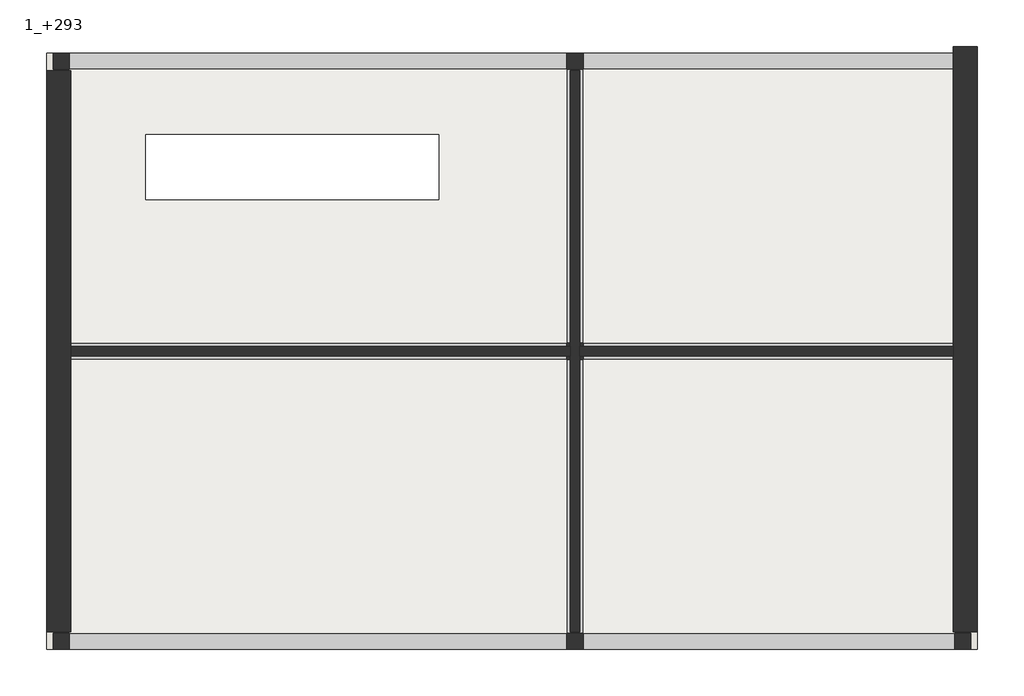
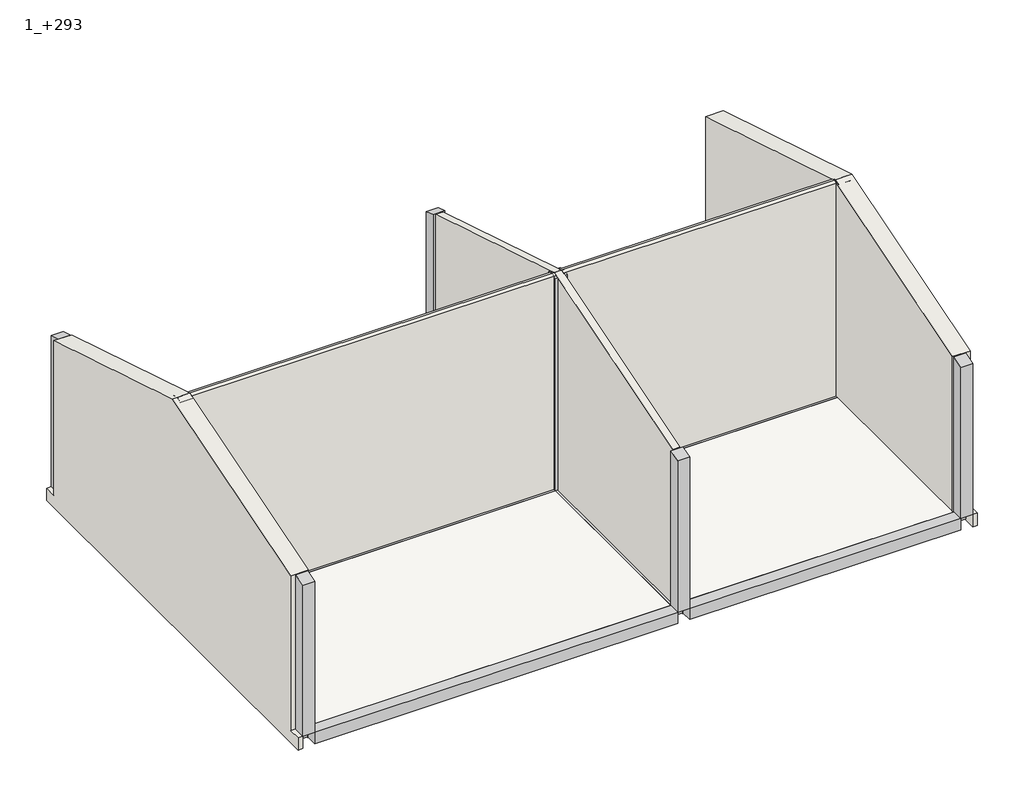
# One storey: 10 beams, 9 columns, 4 walls, 1 slab.
"""IFC4 building model written with IfcOpenShell, lengths in millimetres."""

from ifc_helpers import new_model, si_unit, frame, origin, place, context, project, spatial, polyline, outline, extrude, faceted_brep, element, save

model = new_model("IFC4")

# Units and contexts
model_context = context("Model", 3, world=origin())
ifc_project = project(units=[si_unit("LENGTHUNIT", "METRE", prefix="MILLI")], contexts=[model_context])

# Site, building, storey
site = spatial("IfcSite", under=ifc_project)
building = spatial("IfcBuilding", under=site)
storey = spatial("IfcBuildingStorey", under=building, Name="1_+293", Elevation=2930.0)

# Beams
placement = place(None, origin())
element("IfcBeam", 1, ObjectType="Concrete - Rectangular Beam : 250 x 250 mm", at=placement, inside=storey, context=model_context, shape_type="SweptSolid", body=[
    extrude(outline(polyline([(3426.1680841, 11934.6977103), (3426.1680841, 11684.6977103), (-4216.2748084, 11684.6977103), (-4216.2748084, 11934.6977103), (3426.1680841, 11934.6977103)])), frame((0.0, 0.0, 2680.0), z_axis=(0.0, 0.0, 1.0), x_axis=(1.0, 0.0, 0.0)), (0.0, 0.0, 1.0), 250.0),
])
element("IfcBeam", 2, ObjectType="Concrete - Rectangular Beam : 250 x 250 mm", at=placement, inside=storey, context=model_context, shape_type="SweptSolid", body=[
    extrude(outline(polyline([(3676.1680841, 11684.6977103), (3676.1680841, 11934.6977103), (9386.1680841, 11934.6977103), (9386.1680841, 11684.6977103), (3676.1680841, 11684.6977103)])), frame((0.0, 0.0, 2680.0), z_axis=(0.0, 0.0, 1.0), x_axis=(1.0, 0.0, 0.0)), (0.0, 0.0, 1.0), 250.0),
])
element("IfcBeam", 3, ObjectType="Concrete - Rectangular Beam : 250 x 250 mm", at=placement, inside=storey, context=model_context, shape_type="SweptSolid", body=[
    extrude(outline(polyline([(9386.1680841, 11684.6977103), (9636.1680841, 11684.6977103), (9636.1680841, 7474.6977103), (9386.1680841, 7474.6977103), (9386.1680841, 11684.6977103)])), frame((0.0, 0.0, 2680.0), z_axis=(0.0, 0.0, 1.0), x_axis=(1.0, 0.0, 0.0)), (0.0, 0.0, 1.0), 250.0),
])
element("IfcBeam", 4, ObjectType="Concrete - Rectangular Beam : 250 x 250 mm", at=placement, inside=storey, context=model_context, shape_type="SweptSolid", body=[
    extrude(outline(polyline([(9386.1680841, 7224.6977103), (9636.1680841, 7224.6977103), (9636.1680841, 3014.6977103), (9386.1680841, 3014.6977103), (9386.1680841, 7224.6977103)])), frame((0.0, 0.0, 2680.0), z_axis=(0.0, 0.0, 1.0), x_axis=(1.0, 0.0, 0.0)), (0.0, 0.0, 1.0), 250.0),
])
element("IfcBeam", 5, ObjectType="Concrete - Rectangular Beam : 250 x 250 mm", at=placement, inside=storey, context=model_context, shape_type="SweptSolid", body=[
    extrude(outline(polyline([(9386.1680841, 3014.6977103), (9386.1680841, 2764.6977103), (3676.1680841, 2764.6977103), (3676.1680841, 3014.6977103), (9386.1680841, 3014.6977103)])), frame((0.0, 0.0, 2680.0), z_axis=(0.0, 0.0, 1.0), x_axis=(1.0, 0.0, 0.0)), (0.0, 0.0, 1.0), 250.0),
])
element("IfcBeam", 6, ObjectType="Concrete - Rectangular Beam : 250 x 250 mm", at=placement, inside=storey, context=model_context, shape_type="SweptSolid", body=[
    extrude(outline(polyline([(3426.1680841, 3014.6977103), (3426.1680841, 2764.6977103), (-4216.2748084, 2764.6977103), (-4216.2748084, 3014.6977103), (3426.1680841, 3014.6977103)])), frame((0.0, 0.0, 2680.0), z_axis=(0.0, 0.0, 1.0), x_axis=(1.0, 0.0, 0.0)), (0.0, 0.0, 1.0), 250.0),
])
element("IfcBeam", 7, ObjectType="Concrete - Rectangular Beam : 250 x 250 mm", at=placement, inside=storey, context=model_context, shape_type="SweptSolid", body=[
    extrude(outline(polyline([(-4216.2748084, 3014.6977103), (-4466.2748084, 3014.6977103), (-4466.2748084, 7224.6977103), (-4216.2748084, 7224.6977103), (-4216.2748084, 3014.6977103)])), frame((0.0, 0.0, 2680.0), z_axis=(0.0, 0.0, 1.0), x_axis=(1.0, 0.0, 0.0)), (0.0, 0.0, 1.0), 250.0),
])
element("IfcBeam", 8, ObjectType="Concrete - Rectangular Beam : 250 x 250 mm", at=placement, inside=storey, context=model_context, shape_type="SweptSolid", body=[
    extrude(outline(polyline([(-4466.2748084, 11684.6977103), (-4216.2748084, 11684.6977103), (-4216.2748084, 7474.6977103), (-4466.2748084, 7474.6977103), (-4466.2748084, 11684.6977103)])), frame((0.0, 0.0, 2680.0), z_axis=(0.0, 0.0, 1.0), x_axis=(1.0, 0.0, 0.0)), (0.0, 0.0, 1.0), 250.0),
])
element("IfcBeam", 9, ObjectType="Concrete - Rectangular Beam : 250 x 250 mm", at=placement, inside=storey, context=model_context, shape_type="SweptSolid", body=[
    extrude(outline(polyline([(3676.1680841, 3014.6977103), (3426.1680841, 3014.6977103), (3426.1680841, 7224.6977103), (3676.1680841, 7224.6977103), (3676.1680841, 3014.6977103)])), frame((0.0, 0.0, 2680.0), z_axis=(0.0, 0.0, 1.0), x_axis=(1.0, 0.0, 0.0)), (0.0, 0.0, 1.0), 250.0),
    extrude(outline(polyline([(3426.1680841, 11684.6977103), (3676.1680841, 11684.6977103), (3676.1680841, 7474.6977103), (3426.1680841, 7474.6977103), (3426.1680841, 11684.6977103)])), frame((0.0, 0.0, 2680.0), z_axis=(0.0, 0.0, 1.0), x_axis=(1.0, 0.0, 0.0)), (0.0, 0.0, 1.0), 250.0),
])
element("IfcBeam", 10, ObjectType="Concrete - Rectangular Beam : 250 x 250 mm", at=placement, inside=storey, context=model_context, shape_type="SweptSolid", body=[
    extrude(outline(polyline([(-4216.2748084, 7224.6977103), (-4216.2748084, 7474.6977103), (3426.1680841, 7474.6977103), (3426.1680841, 7224.6977103), (-4216.2748084, 7224.6977103)])), frame((0.0, 0.0, 2680.0), z_axis=(0.0, 0.0, 1.0), x_axis=(1.0, 0.0, 0.0)), (0.0, 0.0, 1.0), 250.0),
    extrude(outline(polyline([(9386.1680841, 7474.6977103), (9386.1680841, 7224.6977103), (3676.1680841, 7224.6977103), (3676.1680841, 7474.6977103), (9386.1680841, 7474.6977103)])), frame((0.0, 0.0, 2680.0), z_axis=(0.0, 0.0, 1.0), x_axis=(1.0, 0.0, 0.0)), (0.0, 0.0, 1.0), 250.0),
])

# Columns
element("IfcColumn", 11, ObjectType="Concrete Square : 250 x 250 mm", at=placement, inside=storey, context=model_context, shape_type="SweptSolid", body=[
    extrude(outline(polyline([(11934.6977103, 2930.0), (11684.6977103, 2930.0), (11684.6977103, 6373.9470166), (11934.6977103, 6297.5143463), (11934.6977103, 2930.0)])), frame((-4466.2748084, 0.0, 0.0), z_axis=(1.0, 0.0, 0.0), x_axis=(0.0, 1.0, 0.0)), (0.0, 0.0, 1.0), 250.0),
])
element("IfcColumn", 12, ObjectType="Concrete Square : 250 x 250 mm", at=placement, inside=storey, context=model_context, shape_type="SweptSolid", body=[
    extrude(outline(polyline([(11934.6977103, 2930.0), (11684.6977103, 2930.0), (11684.6977103, 6373.9470166), (11934.6977103, 6297.5143463), (11934.6977103, 2930.0)])), frame((3426.1680841, 0.0, 0.0), z_axis=(1.0, 0.0, 0.0), x_axis=(0.0, 1.0, 0.0)), (0.0, 0.0, 1.0), 250.0),
])
element("IfcColumn", 13, ObjectType="Concrete Square : 250 x 250 mm", at=placement, inside=storey, context=model_context, shape_type="SweptSolid", body=[
    extrude(outline(polyline([(11934.6977103, 2930.0), (11684.6977103, 2930.0), (11684.6977103, 6373.9470166), (11934.6977103, 6297.5143463), (11934.6977103, 2930.0)])), frame((9386.1680841, 0.0, 0.0), z_axis=(1.0, 0.0, 0.0), x_axis=(0.0, 1.0, 0.0)), (0.0, 0.0, 1.0), 250.0),
])
element("IfcColumn", 14, ObjectType="Concrete Square : 250 x 250 mm", at=placement, inside=storey, context=model_context, shape_type="SweptSolid", body=[
    extrude(outline(polyline([(7474.6977103, 2930.0), (7224.6977103, 2930.0), (7224.6977103, 7661.0731856), (7349.6977103, 7699.2895208), (7474.6977103, 7661.0731856), (7474.6977103, 2930.0)])), frame((9386.1680841, 0.0, 0.0), z_axis=(1.0, 0.0, 0.0), x_axis=(0.0, 1.0, 0.0)), (0.0, 0.0, 1.0), 250.0),
])
element("IfcColumn", 15, ObjectType="Concrete Square : 250 x 250 mm", at=placement, inside=storey, context=model_context, shape_type="SweptSolid", body=[
    extrude(outline(polyline([(7474.6977103, 2930.0), (7224.6977103, 2930.0), (7224.6977103, 7661.0731856), (7349.6977103, 7699.2895208), (7474.6977103, 7661.0731856), (7474.6977103, 2930.0)])), frame((3426.1680841, 0.0, 0.0), z_axis=(1.0, 0.0, 0.0), x_axis=(0.0, 1.0, 0.0)), (0.0, 0.0, 1.0), 250.0),
])
element("IfcColumn", 16, ObjectType="Concrete Square : 250 x 250 mm", at=placement, inside=storey, context=model_context, shape_type="SweptSolid", body=[
    extrude(outline(polyline([(3014.6977103, 2930.0), (2764.6977103, 2930.0), (2764.6977103, 6297.5143463), (3014.6977103, 6373.9470166), (3014.6977103, 2930.0)])), frame((9386.1680841, 0.0, 0.0), z_axis=(1.0, 0.0, 0.0), x_axis=(0.0, 1.0, 0.0)), (0.0, 0.0, 1.0), 250.0),
])
element("IfcColumn", 17, ObjectType="Concrete Square : 250 x 250 mm", at=placement, inside=storey, context=model_context, shape_type="SweptSolid", body=[
    extrude(outline(polyline([(3014.6977103, 2930.0), (2764.6977103, 2930.0), (2764.6977103, 6297.5143463), (3014.6977103, 6373.9470166), (3014.6977103, 2930.0)])), frame((3426.1680841, 0.0, 0.0), z_axis=(1.0, 0.0, 0.0), x_axis=(0.0, 1.0, 0.0)), (0.0, 0.0, 1.0), 250.0),
])
element("IfcColumn", 18, ObjectType="Concrete Square : 250 x 250 mm", at=placement, inside=storey, context=model_context, shape_type="SweptSolid", body=[
    extrude(outline(polyline([(3014.6977103, 2930.0), (2764.6977103, 2930.0), (2764.6977103, 6297.5143463), (3014.6977103, 6373.9470166), (3014.6977103, 2930.0)])), frame((-4466.2748084, 0.0, 0.0), z_axis=(1.0, 0.0, 0.0), x_axis=(0.0, 1.0, 0.0)), (0.0, 0.0, 1.0), 250.0),
])
element("IfcColumn", 19, ObjectType="Concrete Square : 250 x 250 mm", at=placement, inside=storey, context=model_context, shape_type="SweptSolid", body=[
    extrude(outline(polyline([(7474.6977103, 2930.0), (7224.6977103, 2930.0), (7224.6977103, 7661.0731856), (7349.6977103, 7699.2895208), (7474.6977103, 7661.0731856), (7474.6977103, 2930.0)])), frame((-4466.2748084, 0.0, 0.0), z_axis=(1.0, 0.0, 0.0), x_axis=(0.0, 1.0, 0.0)), (0.0, 0.0, 1.0), 250.0),
])

# Slab
element("IfcSlab", 20, ObjectType="Floor_27", at=placement, inside=storey, context=model_context, shape_type="SweptSolid", body=[
    extrude(outline(polyline([(3426.1680841, 11684.6977103), (3426.1680841, 7474.6977103), (-4216.2748084, 7474.6977103), (-4216.2748084, 11684.6977103), (3426.1680841, 11684.6977103)]), holes=[polyline([(-3041.5388296, 10677.1821587), (-3041.5388296, 9677.9821587), (1458.4611704, 9677.9821587), (1458.4611704, 10677.1821587), (-3041.5388296, 10677.1821587)])]), frame((0.0, 0.0, 2660.0), z_axis=(0.0, 0.0, 1.0), x_axis=(1.0, 0.0, 0.0)), (0.0, 0.0, 1.0), 270.0),
    extrude(outline(polyline([(9386.1680841, 7474.6977103), (3676.1680841, 7474.6977103), (3676.1680841, 11684.6977103), (9386.1680841, 11684.6977103), (9386.1680841, 7474.6977103)])), frame((0.0, 0.0, 2660.0), z_axis=(0.0, 0.0, 1.0), x_axis=(1.0, 0.0, 0.0)), (0.0, 0.0, 1.0), 270.0),
    extrude(outline(polyline([(3426.1680841, 7224.6977103), (3426.1680841, 3014.6977103), (-4216.2748084, 3014.6977103), (-4216.2748084, 7224.6977103), (3426.1680841, 7224.6977103)])), frame((0.0, 0.0, 2660.0), z_axis=(0.0, 0.0, 1.0), x_axis=(1.0, 0.0, 0.0)), (0.0, 0.0, 1.0), 270.0),
    extrude(outline(polyline([(9386.1680841, 3014.6977103), (3676.1680841, 3014.6977103), (3676.1680841, 7224.6977103), (9386.1680841, 7224.6977103), (9386.1680841, 3014.6977103)])), frame((0.0, 0.0, 2660.0), z_axis=(0.0, 0.0, 1.0), x_axis=(1.0, 0.0, 0.0)), (0.0, 0.0, 1.0), 270.0),
])

# Walls
element("IfcWall", 21, ObjectType="Wall_Ext_37cm", at=placement, inside=storey, context=model_context, shape_type="Brep", body=[
    faceted_brep([(9736.1680841, 12034.6977103, 2660.0), (9736.1680841, 12034.6977103, 6266.9412781), (9736.1680841, 7349.6977103, 7699.2895208), (9736.1680841, 3034.6977103, 6380.0616303), (9736.1680841, 3034.6977103, 2930.0), (9736.1680841, 2764.6977103, 2930.0), (9736.1680841, 2764.6977103, 2660.0), (9366.1680841, 3034.6977103, 2930.0), (9366.1680841, 3034.6977103, 6380.0616303), (9366.1680841, 7274.6977103, 7676.3597197), (9366.1680841, 7349.6977103, 7699.2895208), (9366.1680841, 7424.6977103, 7676.3597197), (9366.1680841, 11664.6977103, 6380.0616303), (9366.1680841, 12034.6977103, 6266.9412781), (9366.1680841, 12034.6977103, 2930.0), (9366.1680841, 11684.6977103, 2930.0), (9366.1680841, 11664.6977103, 2930.0), (9366.1680841, 7474.6977103, 2930.0), (9366.1680841, 7424.6977103, 2930.0), (9366.1680841, 7274.6977103, 2930.0), (9366.1680841, 7224.6977103, 2930.0), (9636.1680841, 12034.6977103, 2930.0), (9636.1680841, 11934.6977103, 2930.0), (9636.1680841, 3034.6977103, 2930.0), (9386.1680841, 3034.6977103, 2930.0), (9636.1680841, 12034.6977103, 2660.0), (9636.1680841, 11934.6977103, 2660.0), (9636.1680841, 2764.6977103, 2660.0), (9636.1680841, 2764.6977103, 2930.0)], [[[0, 1, 2, 3, 4, 5, 6]], [[7, 8, 9, 10, 11, 12, 13, 14, 15, 16, 17, 18, 19, 20]], [[14, 21, 22, 23, 24, 7, 20, 19, 18, 17, 16, 15]], [[3, 8, 7, 24, 23, 4]], [[1, 0, 25, 21, 14, 13]], [[23, 22, 21, 25, 26, 27, 28]], [[25, 0, 6, 27, 26]], [[5, 4, 23, 28]], [[27, 6, 5, 28]], [[8, 3, 2, 10, 9]], [[1, 13, 12, 11, 10, 2]]]),
])
element("IfcWall", 22, ObjectType="Wall_Ext_37cm", at=placement, inside=storey, context=model_context, shape_type="Brep", body=[
    faceted_brep([(-4566.2748084, 2764.6977103, 2930.0), (-4566.2748084, 3034.6977103, 2930.0), (-4566.2748084, 3034.6977103, 6380.0616303), (-4566.2748084, 7349.6977103, 7699.2895208), (-4566.2748084, 11664.6977103, 6380.0616303), (-4566.2748084, 11664.6977103, 2930.0), (-4566.2748084, 11934.6977103, 2930.0), (-4566.2748084, 11934.6977103, 2660.0), (-4566.2748084, 2764.6977103, 2660.0), (-4196.2748084, 3034.6977103, 6380.0616303), (-4196.2748084, 3034.6977103, 2930.0), (-4196.2748084, 7224.6977103, 2930.0), (-4196.2748084, 7274.6977103, 2930.0), (-4196.2748084, 7424.6977103, 2930.0), (-4196.2748084, 7474.6977103, 2930.0), (-4196.2748084, 11664.6977103, 2930.0), (-4196.2748084, 11664.6977103, 6380.0616303), (-4196.2748084, 7424.6977103, 7676.3597197), (-4196.2748084, 7349.6977103, 7699.2895208), (-4196.2748084, 7274.6977103, 7676.3597197), (-4466.2748084, 3034.6977103, 2930.0), (-4466.2748084, 11664.6977103, 2930.0), (-4216.2748084, 11664.6977103, 2930.0), (-4216.2748084, 3034.6977103, 2930.0), (-4466.2748084, 2764.6977103, 2930.0), (-4466.2748084, 2764.6977103, 2660.0), (-4466.2748084, 11934.6977103, 2660.0), (-4466.2748084, 11934.6977103, 2930.0)], [[[0, 1, 2, 3, 4, 5, 6, 7, 8]], [[9, 10, 11, 12, 13, 14, 15, 16, 17, 18, 19]], [[20, 21, 22, 15, 14, 13, 12, 11, 10, 23]], [[21, 20, 24, 25, 26, 27]], [[25, 8, 7, 26]], [[10, 9, 2, 1, 20, 23]], [[4, 16, 15, 22, 21, 5]], [[24, 20, 1, 0]], [[8, 25, 24, 0]], [[6, 5, 21, 27]], [[26, 7, 6, 27]], [[16, 4, 3, 18, 17]], [[2, 9, 19, 18, 3]]]),
])
element("IfcWall", 23, ObjectType="Wall_Int_15 cm", at=placement, inside=storey, context=model_context, shape_type="Brep", body=[
    faceted_brep([(3476.1680841, 11664.6977103, 2930.0), (3476.1680841, 7424.6977103, 2930.0), (3476.1680841, 7274.6977103, 2930.0), (3476.1680841, 3034.6977103, 2930.0), (3476.1680841, 3034.6977103, 6380.0616303), (3476.1680841, 7274.6977103, 7676.3597197), (3476.1680841, 7349.6977103, 7699.2895208), (3476.1680841, 7424.6977103, 7676.3597197), (3476.1680841, 11664.6977103, 6380.0616303), (3626.1680841, 11664.6977103, 2930.0), (3626.1680841, 11664.6977103, 6380.0616303), (3626.1680841, 7424.6977103, 7676.3597197), (3626.1680841, 7349.6977103, 7699.2895208), (3626.1680841, 7274.6977103, 7676.3597197), (3626.1680841, 3034.6977103, 6380.0616303), (3626.1680841, 3034.6977103, 2930.0), (3626.1680841, 7274.6977103, 2930.0), (3626.1680841, 7424.6977103, 2930.0)], [[[0, 1, 2, 3, 4, 5, 6, 7, 8]], [[9, 10, 11, 12, 13, 14, 15, 16, 17]], [[3, 2, 1, 0, 9, 17, 16, 15]], [[4, 3, 15, 14]], [[0, 8, 10, 9]], [[8, 7, 6, 12, 11, 10]], [[6, 5, 4, 14, 13, 12]]]),
])
element("IfcWall", 24, ObjectType="Wall_Int_15 cm", at=placement, inside=storey, context=model_context, shape_type="Brep", body=[
    faceted_brep([(9366.1680841, 7424.6977103, 7676.3597197), (9366.1680841, 7424.6977103, 2930.0), (3626.1680841, 7424.6977103, 2930.0), (3626.1680841, 7424.6977103, 7676.3597197), (9366.1680841, 7274.6977103, 2930.0), (9366.1680841, 7274.6977103, 7676.3597197), (3626.1680841, 7274.6977103, 7676.3597197), (3626.1680841, 7274.6977103, 2930.0), (9366.1680841, 7349.6977103, 7699.2895208), (3626.1680841, 7349.6977103, 7699.2895208)], [[[0, 1, 2, 3]], [[4, 5, 6, 7]], [[1, 4, 7, 2]], [[1, 0, 8, 5, 4]], [[3, 2, 7, 6, 9]], [[8, 0, 3, 9]], [[5, 8, 9, 6]]]),
    faceted_brep([(-4196.2748084, 7424.6977103, 2930.0), (-4196.2748084, 7424.6977103, 3100.0), (-4196.2748084, 7424.6977103, 7676.3597197), (3476.1680841, 7424.6977103, 7676.3597197), (3476.1680841, 7424.6977103, 3100.0), (3476.1680841, 7424.6977103, 2930.0), (-4196.2748084, 7274.6977103, 7676.3597197), (-4196.2748084, 7274.6977103, 2930.0), (3476.1680841, 7274.6977103, 2930.0), (3476.1680841, 7274.6977103, 7676.3597197), (3476.1680841, 7349.6977103, 7699.2895208), (-4196.2748084, 7349.6977103, 7699.2895208)], [[[0, 1, 2, 3, 4, 5]], [[6, 7, 8, 9]], [[7, 0, 5, 8]], [[5, 4, 3, 10, 9, 8]], [[2, 1, 0, 7, 6, 11]], [[2, 11, 10, 3]], [[11, 6, 9, 10]]]),
])

save(model, "model.ifc")
